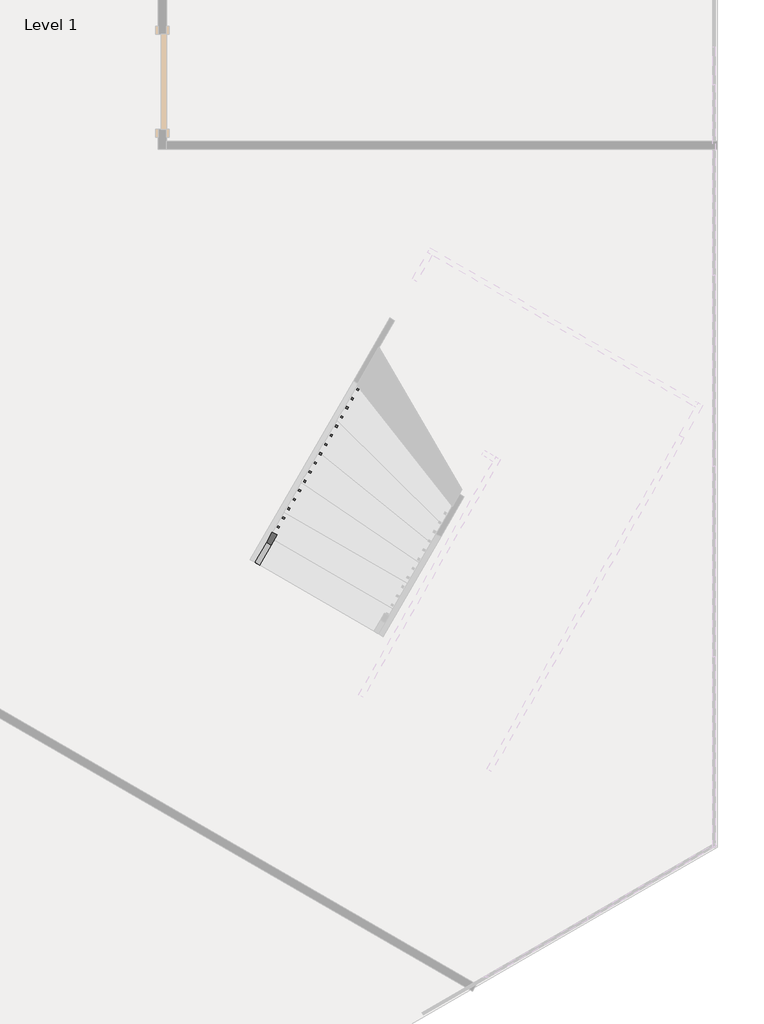
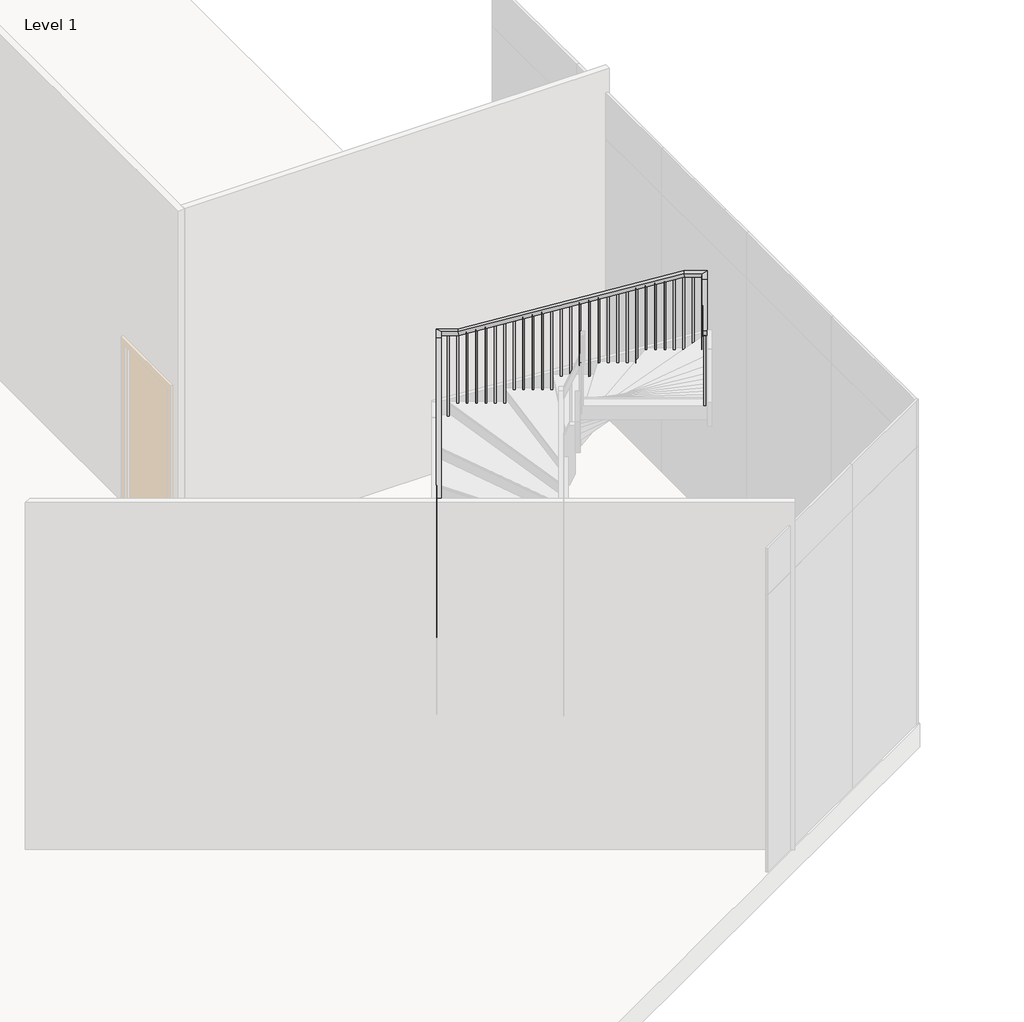
# One storey, part 4 of 6: 1 railing.
"""IFC4 building model written with IfcOpenShell, lengths in millimetres."""

import ifcopenshell
import ifcopenshell.guid

model = None  # the IFC model being written
_history = None  # IfcOwnerHistory: only IFC2X3 demands one
_inside = {}  # id of a spatial element -> (the spatial element, [elements in it])
_under = {}  # id of a project, library or spatial element -> (it, [spatial elements below it])
_declared = {}  # id of a project -> (the project, [libraries it declares])
_typed = {}  # id of a type object -> (the type object, [elements of that type])
_made_of = {}  # id of a material, layer set ... -> (it, [elements and type objects made of it])


def new_model(schema):
    """Start an empty IFC model of exactly this schema.

    Asked for "IFC4X3", IfcOpenShell would pick the latest addendum, in which some entities
    have other attributes; the version numbers below select the first issue.
    IFC2X3 requires an IfcOwnerHistory on every rooted entity: one is made here for all.
    """
    global model, _history
    if schema == "IFC4X3":
        model = ifcopenshell.file(schema_version=(4, 3, 0, 0))
    else:
        model = ifcopenshell.file(schema=schema)
    _inside.clear()
    _under.clear()
    _declared.clear()
    _typed.clear()
    _made_of.clear()
    _history = None
    if model.schema == "IFC2X3":
        org = make("IfcOrganization", Name="unknown")
        user = make(
            "IfcPersonAndOrganization",
            ThePerson=make("IfcPerson", FamilyName="unknown"),
            TheOrganization=org,
        )
        app = make(
            "IfcApplication",
            ApplicationDeveloper=org,
            Version="unknown",
            ApplicationFullName="unknown",
            ApplicationIdentifier="unknown",
        )
        _history = make(
            "IfcOwnerHistory",
            OwningUser=user,
            OwningApplication=app,
            ChangeAction="ADDED",
            CreationDate=0,
        )
    return model


def make(cls, **values):
    """One entity of the class cls with the attributes given. An attribute that is None is left unset."""
    return model.create_entity(
        cls, **{name: value for name, value in values.items() if value is not None}
    )


def rooted(cls, **values):
    """An entity with a GlobalId (a new one), such as an element, a storey or a relation."""
    return make(cls, GlobalId=ifcopenshell.guid.new(), OwnerHistory=_history, **values)


def si_unit(unit_type, name, prefix=None):
    """IfcSIUnit, for example si_unit("LENGTHUNIT", "METRE", prefix="MILLI")."""
    return make("IfcSIUnit", UnitType=unit_type, Prefix=prefix, Name=name)


def assignment(units):
    """IfcUnitAssignment: the units of a project."""
    return None if units is None else make("IfcUnitAssignment", Units=units)


def point(xyz):
    """IfcCartesianPoint."""
    return None if xyz is None else make("IfcCartesianPoint", Coordinates=xyz)


def direction(xyz):
    """IfcDirection."""
    return None if xyz is None else make("IfcDirection", DirectionRatios=xyz)


def frame(location, z_axis=None, x_axis=None):
    """IfcAxis2Placement3D, a coordinate frame: its origin and axes. An axis left out is left unset."""
    return make(
        "IfcAxis2Placement3D",
        Location=point(location),
        Axis=direction(z_axis),
        RefDirection=direction(x_axis),
    )


def origin():
    """The frame at (0, 0, 0) with its axes left unset."""
    return frame((0.0, 0.0, 0.0))


def place(relative_to, where):
    """IfcLocalPlacement: puts the frame where relative to a parent placement (None: the world)."""
    return make(
        "IfcLocalPlacement", PlacementRelTo=relative_to, RelativePlacement=where
    )


def context(
    kind, dimensions, precision=None, world=None, true_north=None, identifier=None
):
    """IfcGeometricRepresentationContext, for example the 3D "Model" context."""
    return make(
        "IfcGeometricRepresentationContext",
        ContextIdentifier=identifier,
        ContextType=kind,
        CoordinateSpaceDimension=dimensions,
        Precision=precision,
        WorldCoordinateSystem=world,
        TrueNorth=true_north,
    )


def project(units=None, contexts=None):
    """IfcProject with its units and contexts."""
    return rooted(
        "IfcProject",
        Name="project",
        RepresentationContexts=contexts,
        UnitsInContext=assignment(units),
    )


def spatial(cls, under=None, at=None, **own):
    """A site, building, storey or space (cls), placed at a placement, below another one or the project."""
    s = rooted(cls, ObjectPlacement=at, **own)
    if under is not None:
        _under.setdefault(under.id(), (under, []))[1].append(s)
    return s


def polyline(points):
    """IfcPolyline through the points."""
    return make("IfcPolyline", Points=[point(p) for p in points])


def outline(outer, holes=None, kind="AREA"):
    """IfcArbitraryClosedProfileDef: a profile drawn as a closed curve; with holes, ...WithVoids."""
    if holes is None:
        return make("IfcArbitraryClosedProfileDef", ProfileType=kind, OuterCurve=outer)
    return make(
        "IfcArbitraryProfileDefWithVoids",
        ProfileType=kind,
        OuterCurve=outer,
        InnerCurves=holes,
    )


def extrude(swept, where, along, depth):
    """IfcExtrudedAreaSolid: the profile swept, set in the frame where, extruded along a direction by depth."""
    return make(
        "IfcExtrudedAreaSolid",
        SweptArea=swept,
        Position=where,
        ExtrudedDirection=direction(along),
        Depth=depth,
    )


def faces_of(points, faces, orient=None, outer=None):
    """IfcFace entities. A face is a list of loops; a loop is a list of indices into points, from 0.

    orient and outer hold one flag for each loop. By default every Orientation is true, the
    first loop of a face is its IfcFaceOuterBound and the others are IfcFaceBound.
    """
    made = []
    for i, loops in enumerate(faces):
        bounds = []
        for j, loop in enumerate(loops):
            is_outer = j == 0 if outer is None else outer[i][j]
            bounds.append(
                make(
                    "IfcFaceOuterBound" if is_outer else "IfcFaceBound",
                    Bound=make("IfcPolyLoop", Polygon=[points[k] for k in loop]),
                    Orientation=True if orient is None else orient[i][j],
                )
            )
        made.append(make("IfcFace", Bounds=bounds))
    return made


def faceted_brep(points, faces, orient=None, outer=None, voids=None):
    """IfcFacetedBrep: a solid bounded by flat faces; with voids (closed shells), ...WithVoids."""
    shared = [point(p) for p in points]
    hull = make("IfcClosedShell", CfsFaces=faces_of(shared, faces, orient, outer))
    if voids is None:
        return make("IfcFacetedBrep", Outer=hull)
    return make(
        "IfcFacetedBrepWithVoids",
        Outer=hull,
        Voids=[
            make(cls, CfsFaces=faces_of(shared, fs, o, b)) for cls, fs, o, b in voids
        ],
    )


def shape(context_of_items, identifier, shape_type, items):
    """IfcShapeRepresentation: the items that make up one representation, for example the "Body"."""
    return make(
        "IfcShapeRepresentation",
        ContextOfItems=context_of_items,
        RepresentationIdentifier=identifier,
        RepresentationType=shape_type,
        Items=items,
    )


def made_of(thing, what):
    """Note that an element or type object is made of a material, layer set ...; save() writes the relation."""
    if what is not None:
        _made_of.setdefault(what.id(), (what, []))[1].append(thing)
    return thing


def element(
    cls,
    number,
    at=None,
    inside=None,
    cuts=None,
    type_object=None,
    material=None,
    context=None,
    identifier="Body",
    shape_type=None,
    held_by="IfcProductDefinitionShape",
    body=None,
    shapes=None,
    **own,
):
    """One element of the class cls, such as IfcWall. Its Tag is "e" and its number.

    at: its placement. inside: the storey or other place that contains it. cuts: it is an
    opening in that element (IfcRelVoidsElement). A single representation is given by context,
    identifier, shape_type and body (its items); several are given by shapes. held_by: the class
    of the entity that holds the representations. save() writes the other relations.
    """
    e = rooted(cls, Tag="e%d" % number, ObjectPlacement=at, **own)
    if body is not None:
        shapes = [shape(context, identifier, shape_type, body)]
    if shapes is not None:
        e.Representation = make(held_by, Representations=shapes)
    if inside is not None:
        _inside.setdefault(inside.id(), (inside, []))[1].append(e)
    if cuts is not None:
        rooted(
            "IfcRelVoidsElement", RelatingBuildingElement=cuts, RelatedOpeningElement=e
        )
    if type_object is not None:
        _typed.setdefault(type_object.id(), (type_object, []))[1].append(e)
    return made_of(e, material)


def aggregate(whole, parts):
    """IfcRelAggregates: a whole, such as a stair, and the parts it consists of."""
    return rooted("IfcRelAggregates", RelatingObject=whole, RelatedObjects=parts)


def save(model, path):
    """Write the relations noted so far, then the file.

    IfcRelAggregates (storeys below a building ...), IfcRelContainedInSpatialStructure (elements
    in a storey), IfcRelDefinesByType, IfcRelAssociatesMaterial and IfcRelDeclares: one each for
    every whole, place, type object, material and project.
    """
    for whole, parts in _under.values():
        aggregate(whole, parts)
    for where, things in _inside.values():
        rooted(
            "IfcRelContainedInSpatialStructure",
            RelatedElements=things,
            RelatingStructure=where,
        )
    for kind, things in _typed.values():
        rooted("IfcRelDefinesByType", RelatedObjects=things, RelatingType=kind)
    for what, things in _made_of.values():
        rooted("IfcRelAssociatesMaterial", RelatedObjects=things, RelatingMaterial=what)
    for by, libraries in _declared.values():
        rooted("IfcRelDeclares", RelatingContext=by, RelatedDefinitions=libraries)
    model.write(path)


model = new_model("IFC4")

# Units and contexts
model_context = context("Model", 3, world=origin())
ifc_project = project(units=[si_unit("LENGTHUNIT", "METRE", prefix="MILLI")], contexts=[model_context])

# Site, building, storey
site = spatial("IfcSite", under=ifc_project)
building = spatial("IfcBuilding", under=site)
storey = spatial("IfcBuildingStorey", under=building, Name="Level 1", Elevation=3048.0)

# Railing
placement = place(None, origin())
element("IfcRailing", 1, ObjectType="Handrail - Rectangular", at=placement, inside=storey, context=model_context, shape_type="SolidModel", body=[
    faceted_brep([(54295.3554538, -117408.8419097, 4138.2461538), (54295.3554538, -117408.8419097, 4081.4945841), (54339.3538093, -117434.2345211, 4081.4945841), (54339.3538093, -117434.2345211, 4138.2461538), (55919.4528111, -114594.7314645, 5756.4336285), (55925.426117, -114584.3813815, 5705.6336285), (55969.4244725, -114609.7739929, 5705.6336285), (55963.4511666, -114620.1240759, 5756.4336285), (55997.1584277, -114460.0891745, 5756.4336285), (55997.1584277, -114460.0891745, 5705.6336285), (56015.7641719, -114529.4801414, 5705.6336285), (56015.7641719, -114529.4801414, 5756.4336285), (56196.5956379, -114575.1896485, 5756.4336285), (56203.3854407, -114579.1082227, 5705.6336285), (56177.9928293, -114623.1065782, 5705.6336285), (56171.2030265, -114619.188004, 5756.4336285), (58305.5331789, -115792.3131245, 6526.2893522), (58312.3229817, -115796.2316988, 6475.4893522), (58286.9303703, -115840.2300543, 6475.4893522), (58280.1405675, -115836.31148, 6526.2893522), (58525.9750192, -115919.5359245, 6526.2893522), (58525.9750192, -115919.5359245, 6475.4893522), (58456.5840523, -115938.1416686, 6475.4893522), (58456.5840523, -115938.1416686, 6526.2893522), (58443.9888374, -116061.5952471, 6526.2893522), (58437.7539841, -116072.3985194, 6475.4893522), (58393.7556285, -116047.005908, 6475.4893522), (58399.9904819, -116036.2026358, 6526.2893522), (56523.2126938, -119389.7677759, 8534.4), (56479.2143382, -119364.3751645, 8534.4), (56479.2143382, -119364.3751645, 8477.0816582), (56523.2126938, -119389.7677759, 8477.0816582)], [[[0, 1, 2, 3]], [[1, 0, 4, 5]], [[2, 1, 5, 6]], [[3, 2, 6, 7]], [[0, 3, 7, 4]], [[5, 4, 8, 9]], [[6, 5, 9, 10]], [[7, 6, 10, 11]], [[4, 7, 11, 8]], [[9, 8, 12, 13]], [[10, 9, 13, 14]], [[11, 10, 14, 15]], [[8, 11, 15, 12]], [[13, 12, 16, 17]], [[14, 13, 17, 18]], [[15, 14, 18, 19]], [[12, 15, 19, 16]], [[17, 16, 20, 21]], [[18, 17, 21, 22]], [[19, 18, 22, 23]], [[16, 19, 23, 20]], [[21, 20, 24, 25]], [[22, 21, 25, 26]], [[23, 22, 26, 27]], [[20, 23, 27, 24]], [[28, 29, 30, 31]], [[25, 24, 28, 31]], [[26, 25, 31, 30]], [[27, 26, 30, 29]], [[24, 27, 29, 28]]]),
    extrude(outline(polyline([(223.6224054, 19.05), (1251.6561526, 19.05), (1251.6561526, 0.0), (233.5775947, 0.0), (223.6224054, 19.05)])), frame((56523.6666546, -119357.2219492, 8695.8099988), z_axis=(-0.8661093604012479, 0.4998545546709976, 0.0), x_axis=(0.0, 0.0, -1.0)), (0.0, 0.0, 1.0), 19.05),
    extrude(outline(polyline([(223.6224054, 19.05), (1198.56181, 19.05), (1198.56181, 0.0), (233.5775946, 0.0), (223.6224054, 19.05)])), frame((56574.4518773, -119269.2252382, 8642.7156562), z_axis=(-0.8661093604012479, 0.4998545546709976, 0.0), x_axis=(0.0, 0.0, -1.0)), (0.0, 0.0, 1.0), 19.05),
    extrude(outline(polyline([(223.6224054, 19.0500001), (1145.4674674, 19.0500001), (1145.4674674, 0.0), (233.5775946, 0.0), (223.6224054, 19.0500001)])), frame((56625.2371001, -119181.2285271, 8589.6213136), z_axis=(-0.8661093604012479, 0.4998545546709976, 0.0), x_axis=(0.0, 0.0, -1.0)), (0.0, 0.0, 1.0), 19.05),
    extrude(outline(polyline([(223.6224053, 19.05), (1268.2192787, 19.05), (1268.2192787, 0.0), (233.5775946, 0.0), (223.6224053, 19.05)])), frame((56676.0223229, -119093.2318161, 8536.526971), z_axis=(-0.8661093604012479, 0.4998545546709976, 0.0), x_axis=(0.0, 0.0, -1.0)), (0.0, 0.0, 1.0), 19.05),
    extrude(outline(polyline([(223.6224054, 19.05), (1215.1249362, 19.05), (1215.1249362, 0.0), (233.5775946, 0.0), (223.6224054, 19.05)])), frame((56726.8075456, -119005.2351051, 8483.4326285), z_axis=(-0.8661093604012479, 0.4998545546709976, 0.0), x_axis=(0.0, 0.0, -1.0)), (0.0, 0.0, 1.0), 19.05),
    extrude(outline(polyline([(223.6224054, 19.05), (1162.0305936, 19.05), (1162.0305936, 0.0), (233.5775946, 0.0), (223.6224054, 19.05)])), frame((56777.5927684, -118917.2383941, 8430.3382859), z_axis=(-0.8661093604012479, 0.4998545546709976, 0.0), x_axis=(0.0, 0.0, -1.0)), (0.0, 0.0, 1.0), 19.05),
    extrude(outline(polyline([(223.6224053, 19.05), (1284.7824048, 19.05), (1284.7824048, 0.0), (233.5775946, 0.0), (223.6224053, 19.05)])), frame((56828.3779911, -118829.2416831, 8377.2439433), z_axis=(-0.8661093604012479, 0.4998545546709976, 0.0), x_axis=(0.0, 0.0, -1.0)), (0.0, 0.0, 1.0), 19.05),
    extrude(outline(polyline([(223.6224054, 19.05), (1231.6880623, 19.05), (1231.6880623, 0.0), (233.5775946, 0.0), (223.6224054, 19.05)])), frame((56879.1632139, -118741.2449721, 8324.1496008), z_axis=(-0.8661093604012479, 0.4998545546709976, 0.0), x_axis=(0.0, 0.0, -1.0)), (0.0, 0.0, 1.0), 19.05),
    extrude(outline(polyline([(223.6224054, 19.05), (1178.5937197, 19.05), (1178.5937197, 0.0), (233.5775946, 0.0), (223.6224054, 19.05)])), frame((56929.9484366, -118653.248261, 8271.0552582), z_axis=(-0.8661093604012479, 0.4998545546709976, 0.0), x_axis=(0.0, 0.0, -1.0)), (0.0, 0.0, 1.0), 19.05),
    extrude(outline(polyline([(223.6224053, 19.05), (1301.345531, 19.05), (1301.345531, 0.0), (233.5775946, 0.0), (223.6224053, 19.05)])), frame((56980.7336594, -118565.25155, 8217.9609156), z_axis=(-0.8661093604012479, 0.4998545546709976, 0.0), x_axis=(0.0, 0.0, -1.0)), (0.0, 0.0, 1.0), 19.05),
    extrude(outline(polyline([(223.6224054, 19.05), (1248.2511885, 19.05), (1248.2511885, 0.0), (233.5775946, 0.0), (223.6224054, 19.05)])), frame((57031.5188821, -118477.254839, 8164.8665731), z_axis=(-0.8661093604012479, 0.4998545546709976, 0.0), x_axis=(0.0, 0.0, -1.0)), (0.0, 0.0, 1.0), 19.05),
    extrude(outline(polyline([(223.6224054, 19.05), (1195.1568459, 19.05), (1195.1568459, 0.0), (233.5775946, 0.0), (223.6224054, 19.05)])), frame((57082.3041049, -118389.258128, 8111.7722305), z_axis=(-0.8661093604012479, 0.4998545546709976, 0.0), x_axis=(0.0, 0.0, -1.0)), (0.0, 0.0, 1.0), 19.05),
    extrude(outline(polyline([(223.6224053, 19.05), (1317.9086571, 19.05), (1317.9086571, 0.0), (233.5775946, 0.0), (223.6224053, 19.05)])), frame((57133.0893276, -118301.261417, 8058.6778879), z_axis=(-0.8661093604012479, 0.4998545546709976, 0.0), x_axis=(0.0, 0.0, -1.0)), (0.0, 0.0, 1.0), 19.05),
    extrude(outline(polyline([(223.6224054, 19.05), (1264.8143146, 19.05), (1264.8143146, 0.0), (233.5775946, 0.0), (223.6224054, 19.05)])), frame((57183.8745504, -118213.264706, 8005.5835454), z_axis=(-0.8661093604012479, 0.4998545546709976, 0.0), x_axis=(0.0, 0.0, -1.0)), (0.0, 0.0, 1.0), 19.05),
    extrude(outline(polyline([(223.6224054, 19.0500001), (1211.719972, 19.0500001), (1211.719972, 0.0), (233.5775946, 0.0), (223.6224054, 19.0500001)])), frame((57234.6597732, -118125.2679949, 7952.4892028), z_axis=(-0.8661093604012479, 0.4998545546709976, 0.0), x_axis=(0.0, 0.0, -1.0)), (0.0, 0.0, 1.0), 19.05),
    extrude(outline(polyline([(223.6224053, 19.05), (1334.4717833, 19.05), (1334.4717833, 0.0), (233.5775946, 0.0), (223.6224053, 19.05)])), frame((57285.4449959, -118037.2712839, 7899.3948602), z_axis=(-0.8661093604012479, 0.4998545546709976, 0.0), x_axis=(0.0, 0.0, -1.0)), (0.0, 0.0, 1.0), 19.05),
    extrude(outline(polyline([(223.6224054, 19.05), (1281.3774408, 19.05), (1281.3774408, 0.0), (233.5775946, 0.0), (223.6224054, 19.05)])), frame((57336.2302187, -117949.2745729, 7846.3005177), z_axis=(-0.8661093604012479, 0.4998545546709976, 0.0), x_axis=(0.0, 0.0, -1.0)), (0.0, 0.0, 1.0), 19.05),
    extrude(outline(polyline([(223.6224054, 19.05), (1228.2830982, 19.05), (1228.2830982, 0.0), (233.5775946, 0.0), (223.6224054, 19.05)])), frame((57387.0154414, -117861.2778619, 7793.2061751), z_axis=(-0.8661093604012479, 0.4998545546709976, 0.0), x_axis=(0.0, 0.0, -1.0)), (0.0, 0.0, 1.0), 19.05),
    extrude(outline(polyline([(223.6224053, 19.05), (1351.0349094, 19.05), (1351.0349094, 0.0), (233.5775946, 0.0), (223.6224053, 19.05)])), frame((57437.8006642, -117773.2811509, 7740.1118325), z_axis=(-0.8661093604012479, 0.4998545546709976, 0.0), x_axis=(0.0, 0.0, -1.0)), (0.0, 0.0, 1.0), 19.05),
    extrude(outline(polyline([(223.6224054, 19.05), (1297.9405669, 19.05), (1297.9405669, 0.0), (233.5775946, 0.0), (223.6224054, 19.05)])), frame((57488.5858869, -117685.2844399, 7687.01749), z_axis=(-0.8661093604012479, 0.4998545546709976, 0.0), x_axis=(0.0, 0.0, -1.0)), (0.0, 0.0, 1.0), 19.05),
    extrude(outline(polyline([(223.6224054, 19.0500001), (1244.8462243, 19.0500001), (1244.8462243, 0.0), (233.5775946, 0.0), (223.6224054, 19.0500001)])), frame((57539.3711097, -117597.2877288, 7633.9231474), z_axis=(-0.8661093604012479, 0.4998545546709976, 0.0), x_axis=(0.0, 0.0, -1.0)), (0.0, 0.0, 1.0), 19.05),
    extrude(outline(polyline([(223.6224053, 19.05), (1191.7518817, 19.05), (1191.7518817, 0.0), (233.5775946, 0.0), (223.6224053, 19.05)])), frame((57590.1563324, -117509.2910178, 7580.8288048), z_axis=(-0.8661093604012479, 0.4998545546709976, 0.0), x_axis=(0.0, 0.0, -1.0)), (0.0, 0.0, 1.0), 19.05),
    extrude(outline(polyline([(223.6224054, 19.05), (1314.5036931, 19.05), (1314.5036931, 0.0), (233.5775946, 0.0), (223.6224054, 19.05)])), frame((57640.9415552, -117421.2943068, 7527.7344623), z_axis=(-0.8661093604012479, 0.4998545546709976, 0.0), x_axis=(0.0, 0.0, -1.0)), (0.0, 0.0, 1.0), 19.05),
    extrude(outline(polyline([(223.6224054, 19.05), (1261.4093505, 19.05), (1261.4093505, 0.0), (233.5775946, 0.0), (223.6224054, 19.05)])), frame((57691.7267779, -117333.2975958, 7474.6401197), z_axis=(-0.8661093604012479, 0.4998545546709976, 0.0), x_axis=(0.0, 0.0, -1.0)), (0.0, 0.0, 1.0), 19.05),
    extrude(outline(polyline([(223.6224053, 19.05), (1208.3150079, 19.05), (1208.3150079, 0.0), (233.5775946, 0.0), (223.6224053, 19.05)])), frame((57742.5120007, -117245.3008848, 7421.5457771), z_axis=(-0.8661093604012479, 0.4998545546709976, 0.0), x_axis=(0.0, 0.0, -1.0)), (0.0, 0.0, 1.0), 19.05),
    extrude(outline(polyline([(223.6224054, 19.05), (1331.0668192, 19.05), (1331.0668192, 0.0), (233.5775946, 0.0), (223.6224054, 19.05)])), frame((57793.2972235, -117157.3041738, 7368.4514346), z_axis=(-0.8661093604012479, 0.4998545546709976, 0.0), x_axis=(0.0, 0.0, -1.0)), (0.0, 0.0, 1.0), 19.05),
    extrude(outline(polyline([(223.6224054, 19.0500001), (1277.9724766, 19.0500001), (1277.9724766, 0.0), (233.5775946, 0.0), (223.6224054, 19.0500001)])), frame((57844.0824462, -117069.3074627, 7315.357092), z_axis=(-0.8661093604012479, 0.4998545546709976, 0.0), x_axis=(0.0, 0.0, -1.0)), (0.0, 0.0, 1.0), 19.05),
    extrude(outline(polyline([(223.6224053, 19.05), (1224.878134, 19.05), (1224.878134, 0.0), (233.5775946, 0.0), (223.6224053, 19.05)])), frame((57894.867669, -116981.3107517, 7262.2627494), z_axis=(-0.8661093604012479, 0.4998545546709976, 0.0), x_axis=(0.0, 0.0, -1.0)), (0.0, 0.0, 1.0), 19.05),
    extrude(outline(polyline([(223.6224054, 19.05), (1171.7837915, 19.05), (1171.7837915, 0.0), (233.5775946, 0.0), (223.6224054, 19.05)])), frame((57945.6528917, -116893.3140407, 7209.1684069), z_axis=(-0.8661093604012479, 0.4998545546709976, 0.0), x_axis=(0.0, 0.0, -1.0)), (0.0, 0.0, 1.0), 19.05),
    extrude(outline(polyline([(223.6224054, 19.05), (1294.5356028, 19.05), (1294.5356028, 0.0), (233.5775946, 0.0), (223.6224054, 19.05)])), frame((57996.4381145, -116805.3173297, 7156.0740643), z_axis=(-0.8661093604012479, 0.4998545546709976, 0.0), x_axis=(0.0, 0.0, -1.0)), (0.0, 0.0, 1.0), 19.05),
    extrude(outline(polyline([(223.6224053, 19.05), (1241.4412602, 19.05), (1241.4412602, 0.0), (233.5775946, 0.0), (223.6224053, 19.05)])), frame((58047.2233372, -116717.3206187, 7102.9797217), z_axis=(-0.8661093604012479, 0.4998545546709976, 0.0), x_axis=(0.0, 0.0, -1.0)), (0.0, 0.0, 1.0), 19.05),
    extrude(outline(polyline([(223.6224054, 19.05), (1188.3469177, 19.05), (1188.3469177, 0.0), (233.5775946, 0.0), (223.6224054, 19.05)])), frame((58098.00856, -116629.3239077, 7049.8853792), z_axis=(-0.8661093604012479, 0.4998545546709976, 0.0), x_axis=(0.0, 0.0, -1.0)), (0.0, 0.0, 1.0), 19.05),
    extrude(outline(polyline([(223.6224054, 19.05), (1135.2525751, 19.05), (1135.2525751, 0.0), (233.5775946, 0.0), (223.6224054, 19.05)])), frame((58148.7937827, -116541.3271966, 6996.7910366), z_axis=(-0.8661093604012479, 0.4998545546709976, 0.0), x_axis=(0.0, 0.0, -1.0)), (0.0, 0.0, 1.0), 19.05),
    extrude(outline(polyline([(223.6224053, 19.05), (1258.0043863, 19.05), (1258.0043863, 0.0), (233.5775946, 0.0), (223.6224053, 19.05)])), frame((58199.5790055, -116453.3304856, 6943.696694), z_axis=(-0.8661093604012479, 0.4998545546709976, 0.0), x_axis=(0.0, 0.0, -1.0)), (0.0, 0.0, 1.0), 19.05),
    extrude(outline(polyline([(223.6224054, 19.05), (1204.9100438, 19.05), (1204.9100438, 0.0), (233.5775946, 0.0), (223.6224054, 19.05)])), frame((58250.3642282, -116365.3337746, 6890.6023515), z_axis=(-0.8661093604012479, 0.4998545546709976, 0.0), x_axis=(0.0, 0.0, -1.0)), (0.0, 0.0, 1.0), 19.05),
    extrude(outline(polyline([(223.6224054, 19.05), (1151.8157012, 19.05), (1151.8157012, 0.0), (233.5775946, 0.0), (223.6224054, 19.05)])), frame((58301.149451, -116277.3370636, 6837.5080089), z_axis=(-0.8661093604012479, 0.4998545546709976, 0.0), x_axis=(0.0, 0.0, -1.0)), (0.0, 0.0, 1.0), 19.05),
    extrude(outline(polyline([(223.6224053, 19.05), (1098.7213586, 19.05), (1098.7213586, 0.0), (233.5775946, 0.0), (223.6224053, 19.05)])), frame((58351.9346738, -116189.3403526, 6784.4136663), z_axis=(-0.8661093604012479, 0.4998545546709976, 0.0), x_axis=(0.0, 0.0, -1.0)), (0.0, 0.0, 1.0), 19.05),
    extrude(outline(polyline([(223.6224054, 19.05), (1045.6270161, 19.05), (1045.6270161, 0.0), (233.5775946, 0.0), (223.6224054, 19.05)])), frame((58402.7198965, -116101.3436416, 6731.3193238), z_axis=(-0.8661093604012479, 0.4998545546709976, 0.0), x_axis=(0.0, 0.0, -1.0)), (0.0, 0.0, 1.0), 19.05),
    extrude(outline(polyline([(58453.5051193, -116013.3469305), (58443.98289, -116029.8463139), (58427.4835067, -116020.3240846), (58437.0057359, -116003.8247013), (58453.5051193, -116013.3469305)])), frame((0.0, 0.0, 5685.6923077), z_axis=(0.0, 0.0, 1.0), x_axis=(1.0, 0.0, 0.0)), (0.0, 0.0, 1.0), 789.7970445),
    extrude(outline(polyline([(58466.8806313, -115903.7600888), (58483.3800146, -115913.2823181), (58473.8577853, -115929.7817014), (58457.358402, -115920.2594721), (58466.8806313, -115903.7600888)])), frame((0.0, 0.0, 5509.8461538), z_axis=(0.0, 0.0, 1.0), x_axis=(1.0, 0.0, 0.0)), (0.0, 0.0, 1.0), 965.6431983),
    extrude(outline(polyline([(58378.8839202, -115852.974866), (58395.3833036, -115862.4970953), (58385.8610743, -115878.9964786), (58369.361691, -115869.4742494), (58378.8839202, -115852.974866)])), frame((0.0, 0.0, 5509.8461538), z_axis=(0.0, 0.0, 1.0), x_axis=(1.0, 0.0, 0.0)), (0.0, 0.0, 1.0), 965.6431983),
    extrude(outline(polyline([(58290.8872092, -115802.1896433), (58307.3865925, -115811.7118726), (58297.8643633, -115828.2112559), (58281.36498, -115818.6890266), (58290.8872092, -115802.1896433)])), frame((0.0, 0.0, 5509.8461538), z_axis=(0.0, 0.0, 1.0), x_axis=(1.0, 0.0, 0.0)), (0.0, 0.0, 1.0), 965.6431983),
    extrude(outline(polyline([(231.6115033, 19.05), (1160.203689, 19.05), (1160.203689, 0.0), (225.5884967, 0.0), (231.6115033, 19.05)])), frame((58209.8676523, -115777.4260331, 6670.0498428), z_axis=(0.49985455467099926, 0.866109360401247, 0.0), x_axis=(0.0, 0.0, -1.0)), (0.0, 0.0, 1.0), 19.05),
    extrude(outline(polyline([(231.6115033, 19.05), (1128.0809873, 19.05), (1128.0809873, 0.0), (225.5884967, 0.0), (231.6115033, 19.05)])), frame((58121.8709412, -115726.6408104, 6637.9271411), z_axis=(0.49985455467099926, 0.866109360401247, 0.0), x_axis=(0.0, 0.0, -1.0)), (0.0, 0.0, 1.0), 19.05),
    extrude(outline(polyline([(231.6115033, 19.05), (1095.9582855, 19.05), (1095.9582855, 0.0), (225.5884967, 0.0), (231.6115033, 19.05)])), frame((58033.8742302, -115675.8555876, 6605.8044393), z_axis=(0.49985455467099926, 0.866109360401247, 0.0), x_axis=(0.0, 0.0, -1.0)), (0.0, 0.0, 1.0), 19.05),
    extrude(outline(polyline([(231.6115033, 19.05), (1063.8355838, 19.05), (1063.8355838, 0.0), (225.5884967, 0.0), (231.6115033, 19.05)])), frame((57945.8775192, -115625.0703649, 6573.6817376), z_axis=(0.49985455467099926, 0.866109360401247, 0.0), x_axis=(0.0, 0.0, -1.0)), (0.0, 0.0, 1.0), 19.05),
    extrude(outline(polyline([(231.6115033, 19.05), (1207.5590358, 19.05), (1207.5590358, 0.0), (225.5884967, 0.0), (231.6115033, 19.05)])), frame((57857.8808082, -115574.2851421, 6541.5590358), z_axis=(0.49985455467099926, 0.866109360401247, 0.0), x_axis=(0.0, 0.0, -1.0)), (0.0, 0.0, 1.0), 19.05),
    extrude(outline(polyline([(231.6115033, 19.05), (1175.4363341, 19.05), (1175.4363341, 0.0), (225.5884967, 0.0), (231.6115033, 19.05)])), frame((57769.8840972, -115523.4999193, 6509.4363341), z_axis=(0.49985455467099926, 0.866109360401247, 0.0), x_axis=(0.0, 0.0, -1.0)), (0.0, 0.0, 1.0), 19.05),
    extrude(outline(polyline([(231.6115033, 19.0500001), (1143.3136323, 19.0500001), (1143.3136323, 0.0), (225.5884967, 0.0), (231.6115033, 19.0500001)])), frame((57681.8873862, -115472.7146966, 6477.3136323), z_axis=(0.49985455467099926, 0.866109360401247, 0.0), x_axis=(0.0, 0.0, -1.0)), (0.0, 0.0, 1.0), 19.05),
    extrude(outline(polyline([(231.6115033, 19.05), (1111.1909306, 19.05), (1111.1909306, 0.0), (225.5884967, 0.0), (231.6115033, 19.05)])), frame((57593.8906751, -115421.9294738, 6445.1909306), z_axis=(0.49985455467099926, 0.866109360401247, 0.0), x_axis=(0.0, 0.0, -1.0)), (0.0, 0.0, 1.0), 19.05),
    extrude(outline(polyline([(231.6115033, 19.05), (1079.0682288, 19.05), (1079.0682288, 0.0), (225.5884967, 0.0), (231.6115033, 19.05)])), frame((57505.8939641, -115371.1442511, 6413.0682288), z_axis=(0.49985455467099926, 0.866109360401247, 0.0), x_axis=(0.0, 0.0, -1.0)), (0.0, 0.0, 1.0), 19.05),
    extrude(outline(polyline([(231.6115033, 19.05), (1222.7916809, 19.05), (1222.7916809, 0.0), (225.5884967, 0.0), (231.6115033, 19.05)])), frame((57417.8972531, -115320.3590283, 6380.9455271), z_axis=(0.49985455467099926, 0.866109360401247, 0.0), x_axis=(0.0, 0.0, -1.0)), (0.0, 0.0, 1.0), 19.05),
    extrude(outline(polyline([(231.6115033, 19.05), (1190.6689791, 19.05), (1190.6689791, 0.0), (225.5884967, 0.0), (231.6115033, 19.05)])), frame((57329.9005421, -115269.5738056, 6348.8228253), z_axis=(0.49985455467099926, 0.866109360401247, 0.0), x_axis=(0.0, 0.0, -1.0)), (0.0, 0.0, 1.0), 19.05),
    extrude(outline(polyline([(231.6115033, 19.05), (1158.5462774, 19.05), (1158.5462774, 0.0), (225.5884968, 0.0), (231.6115033, 19.05)])), frame((57241.9038311, -115218.7885828, 6316.7001236), z_axis=(0.49985455467099926, 0.866109360401247, 0.0), x_axis=(0.0, 0.0, -1.0)), (0.0, 0.0, 1.0), 19.05),
    extrude(outline(polyline([(231.6115033, 19.0500001), (1126.4235756, 19.0500001), (1126.4235756, 0.0), (225.5884967, 0.0), (231.6115033, 19.0500001)])), frame((57153.9071201, -115168.0033601, 6284.5774218), z_axis=(0.49985455467099926, 0.866109360401247, 0.0), x_axis=(0.0, 0.0, -1.0)), (0.0, 0.0, 1.0), 19.05),
    extrude(outline(polyline([(231.6115033, 19.05), (1270.1470278, 19.05), (1270.1470278, 0.0), (225.5884968, 0.0), (231.6115033, 19.05)])), frame((57065.910409, -115117.2181373, 6252.4547201), z_axis=(0.49985455467099926, 0.866109360401247, 0.0), x_axis=(0.0, 0.0, -1.0)), (0.0, 0.0, 1.0), 19.05),
    extrude(outline(polyline([(231.6115033, 19.05), (1238.024326, 19.05), (1238.024326, 0.0), (225.5884967, 0.0), (231.6115033, 19.05)])), frame((56977.913698, -115066.4329146, 6220.3320183), z_axis=(0.49985455467099926, 0.866109360401247, 0.0), x_axis=(0.0, 0.0, -1.0)), (0.0, 0.0, 1.0), 19.05),
    extrude(outline(polyline([(231.6115033, 19.05), (1205.9016243, 19.05), (1205.9016243, 0.0), (225.5884968, 0.0), (231.6115033, 19.05)])), frame((56889.916987, -115015.6476918, 6188.2093166), z_axis=(0.49985455467099926, 0.866109360401247, 0.0), x_axis=(0.0, 0.0, -1.0)), (0.0, 0.0, 1.0), 19.05),
    extrude(outline(polyline([(231.6115033, 19.05), (1173.7789225, 19.05), (1173.7789225, 0.0), (225.5884967, 0.0), (231.6115033, 19.05)])), frame((56801.920276, -114964.862469, 6156.0866148), z_axis=(0.49985455467099926, 0.866109360401247, 0.0), x_axis=(0.0, 0.0, -1.0)), (0.0, 0.0, 1.0), 19.05),
    extrude(outline(polyline([(231.6115033, 19.05), (1141.6562208, 19.05), (1141.6562208, 0.0), (225.5884968, 0.0), (231.6115033, 19.05)])), frame((56713.923565, -114914.0772463, 6123.9639131), z_axis=(0.49985455467099926, 0.866109360401247, 0.0), x_axis=(0.0, 0.0, -1.0)), (0.0, 0.0, 1.0), 19.05),
    extrude(outline(polyline([(231.6115033, 19.05), (1285.3796728, 19.05), (1285.3796728, 0.0), (225.5884967, 0.0), (231.6115033, 19.05)])), frame((56625.926854, -114863.2920235, 6091.8412113), z_axis=(0.49985455467099926, 0.866109360401247, 0.0), x_axis=(0.0, 0.0, -1.0)), (0.0, 0.0, 1.0), 19.05),
    extrude(outline(polyline([(231.6115033, 19.05), (1253.2569711, 19.05), (1253.2569711, 0.0), (225.5884968, 0.0), (231.6115033, 19.05)])), frame((56537.9301429, -114812.5068008, 6059.7185096), z_axis=(0.49985455467099926, 0.866109360401247, 0.0), x_axis=(0.0, 0.0, -1.0)), (0.0, 0.0, 1.0), 19.05),
    extrude(outline(polyline([(231.6115033, 19.05), (1221.1342693, 19.05), (1221.1342693, 0.0), (225.5884967, 0.0), (231.6115033, 19.05)])), frame((56449.9334319, -114761.721578, 6027.5958078), z_axis=(0.49985455467099926, 0.866109360401247, 0.0), x_axis=(0.0, 0.0, -1.0)), (0.0, 0.0, 1.0), 19.05),
    extrude(outline(polyline([(231.6115033, 19.05), (1189.0115676, 19.05), (1189.0115676, 0.0), (225.5884968, 0.0), (231.6115033, 19.05)])), frame((56361.9367209, -114710.9363553, 5995.4731061), z_axis=(0.49985455467099926, 0.866109360401247, 0.0), x_axis=(0.0, 0.0, -1.0)), (0.0, 0.0, 1.0), 19.05),
    extrude(outline(polyline([(231.6115033, 19.05), (1156.8888658, 19.05), (1156.8888658, 0.0), (225.5884967, 0.0), (231.6115033, 19.05)])), frame((56273.9400099, -114660.1511325, 5963.3504043), z_axis=(0.49985455467099926, 0.866109360401247, 0.0), x_axis=(0.0, 0.0, -1.0)), (0.0, 0.0, 1.0), 19.05),
    extrude(outline(polyline([(56178.9661448, -114583.3442972), (56195.4655281, -114592.8665264), (56185.9432989, -114609.3659098), (56169.4439156, -114599.8436805), (56178.9661448, -114583.3442972)])), frame((0.0, 0.0, 4806.4615385), z_axis=(0.0, 0.0, 1.0), x_axis=(1.0, 0.0, 0.0)), (0.0, 0.0, 1.0), 899.17209),
    extrude(outline(polyline([(56090.9694338, -114532.5590744), (56107.4688171, -114542.0813037), (56097.9465879, -114558.580687), (56081.4472045, -114549.0584577), (56090.9694338, -114532.5590744)])), frame((0.0, 0.0, 4630.6153846), z_axis=(0.0, 0.0, 1.0), x_axis=(1.0, 0.0, 0.0)), (0.0, 0.0, 1.0), 1075.0182439),
    extrude(outline(polyline([(55980.2561762, -114521.1353288), (55989.7784055, -114504.6359455), (56006.2777888, -114514.1581748), (55996.7555595, -114530.6575581), (55980.2561762, -114521.1353288)])), frame((0.0, 0.0, 4630.6153846), z_axis=(0.0, 0.0, 1.0), x_axis=(1.0, 0.0, 0.0)), (0.0, 0.0, 1.0), 1075.0182439),
    extrude(outline(polyline([(55929.4709534, -114609.1320398), (55938.9931827, -114592.6326565), (55955.492566, -114602.1548858), (55945.9703368, -114618.6542691), (55929.4709534, -114609.1320398)])), frame((0.0, 0.0, 4630.6153846), z_axis=(0.0, 0.0, 1.0), x_axis=(1.0, 0.0, 0.0)), (0.0, 0.0, 1.0), 1075.0182439),
    extrude(outline(polyline([(233.3437895, 19.05), (1248.0922759, 19.05), (1248.0922759, 0.0), (223.8562104, 0.0), (233.3437895, 19.05)])), frame((55904.7073433, -114690.1515968, 5878.7076605), z_axis=(-0.8661093604012486, 0.4998545546709967, 0.0), x_axis=(0.0, 0.0, -1.0)), (0.0, 0.0, 1.0), 19.05),
    extrude(outline(polyline([(233.3437895, 19.05), (1197.4918541, 19.05), (1197.4918541, 0.0), (223.8562104, 0.0), (233.3437895, 19.05)])), frame((55853.9221205, -114778.1483078, 5828.1072387), z_axis=(-0.8661093604012486, 0.4998545546709967, 0.0), x_axis=(0.0, 0.0, -1.0)), (0.0, 0.0, 1.0), 19.05),
    extrude(outline(polyline([(233.3437895, 19.05), (1146.8914323, 19.05), (1146.8914323, 0.0), (223.8562104, 0.0), (233.3437895, 19.05)])), frame((55803.1368978, -114866.1450189, 5777.5068169), z_axis=(-0.8661093604012486, 0.4998545546709967, 0.0), x_axis=(0.0, 0.0, -1.0)), (0.0, 0.0, 1.0), 19.05),
    extrude(outline(polyline([(233.3437896, 19.05), (1096.2910105, 19.05), (1096.2910105, 0.0), (223.8562105, 0.0), (233.3437896, 19.05)])), frame((55752.351675, -114954.1417299, 5726.9063951), z_axis=(-0.8661093604012486, 0.4998545546709967, 0.0), x_axis=(0.0, 0.0, -1.0)), (0.0, 0.0, 1.0), 19.05),
    extrude(outline(polyline([(233.3437896, 19.05), (1221.5367425, 19.05), (1221.5367425, 0.0), (223.8562105, 0.0), (233.3437896, 19.05)])), frame((55701.5664523, -115042.1384409, 5676.3059733), z_axis=(-0.8661093604012486, 0.4998545546709967, 0.0), x_axis=(0.0, 0.0, -1.0)), (0.0, 0.0, 1.0), 19.05),
    extrude(outline(polyline([(233.3437895, 19.05), (1170.9363206, 19.05), (1170.9363206, 0.0), (223.8562104, 0.0), (233.3437895, 19.05)])), frame((55650.7812295, -115130.1351519, 5625.7055514), z_axis=(-0.8661093604012486, 0.4998545546709967, 0.0), x_axis=(0.0, 0.0, -1.0)), (0.0, 0.0, 1.0), 19.05),
    extrude(outline(polyline([(233.3437895, 19.05), (1120.3358988, 19.05), (1120.3358988, 0.0), (223.8562104, 0.0), (233.3437895, 19.05)])), frame((55599.9960067, -115218.1318629, 5575.1051296), z_axis=(-0.8661093604012486, 0.4998545546709967, 0.0), x_axis=(0.0, 0.0, -1.0)), (0.0, 0.0, 1.0), 19.05),
    extrude(outline(polyline([(233.3437896, 19.0500001), (1069.735477, 19.0500001), (1069.735477, 0.0), (223.8562105, 0.0), (233.3437896, 19.0500001)])), frame((55549.210784, -115306.1285739, 5524.5047078), z_axis=(-0.8661093604012486, 0.4998545546709967, 0.0), x_axis=(0.0, 0.0, -1.0)), (0.0, 0.0, 1.0), 19.05),
    extrude(outline(polyline([(233.3437896, 19.05), (1019.1350552, 19.05), (1019.1350552, 0.0), (223.8562105, 0.0), (233.3437896, 19.05)])), frame((55498.4255612, -115394.125285, 5473.904286), z_axis=(-0.8661093604012486, 0.4998545546709967, 0.0), x_axis=(0.0, 0.0, -1.0)), (0.0, 0.0, 1.0), 19.05),
    extrude(outline(polyline([(233.3437896, 19.05), (1144.3807873, 19.05), (1144.3807873, 0.0), (223.8562105, 0.0), (233.3437896, 19.05)])), frame((55447.6403385, -115482.121996, 5423.3038642), z_axis=(-0.8661093604012486, 0.4998545546709967, 0.0), x_axis=(0.0, 0.0, -1.0)), (0.0, 0.0, 1.0), 19.05),
    extrude(outline(polyline([(233.3437895, 19.05), (1093.7803654, 19.05), (1093.7803654, 0.0), (223.8562104, 0.0), (233.3437895, 19.05)])), frame((55396.8551157, -115570.118707, 5372.7034423), z_axis=(-0.8661093604012486, 0.4998545546709967, 0.0), x_axis=(0.0, 0.0, -1.0)), (0.0, 0.0, 1.0), 19.05),
    extrude(outline(polyline([(233.3437895, 19.05), (1043.1799436, 19.05), (1043.1799436, 0.0), (223.8562104, 0.0), (233.3437895, 19.05)])), frame((55346.069893, -115658.115418, 5322.1030205), z_axis=(-0.8661093604012486, 0.4998545546709967, 0.0), x_axis=(0.0, 0.0, -1.0)), (0.0, 0.0, 1.0), 19.05),
    extrude(outline(polyline([(233.3437896, 19.05), (1168.4256756, 19.05), (1168.4256756, 0.0), (223.8562105, 0.0), (233.3437896, 19.05)])), frame((55295.2846702, -115746.112129, 5271.5025987), z_axis=(-0.8661093604012486, 0.4998545546709967, 0.0), x_axis=(0.0, 0.0, -1.0)), (0.0, 0.0, 1.0), 19.05),
    extrude(outline(polyline([(233.3437896, 19.0500001), (1117.8252538, 19.0500001), (1117.8252538, 0.0), (223.8562105, 0.0), (233.3437896, 19.0500001)])), frame((55244.4994475, -115834.10884, 5220.9021769), z_axis=(-0.8661093604012486, 0.4998545546709967, 0.0), x_axis=(0.0, 0.0, -1.0)), (0.0, 0.0, 1.0), 19.05),
    extrude(outline(polyline([(233.3437895, 19.05), (1067.2248319, 19.05), (1067.2248319, 0.0), (223.8562104, 0.0), (233.3437895, 19.05)])), frame((55193.7142247, -115922.1055511, 5170.301755), z_axis=(-0.8661093604012486, 0.4998545546709967, 0.0), x_axis=(0.0, 0.0, -1.0)), (0.0, 0.0, 1.0), 19.05),
    extrude(outline(polyline([(233.3437895, 19.05), (1016.6244101, 19.05), (1016.6244101, 0.0), (223.8562104, 0.0), (233.3437895, 19.05)])), frame((55142.929002, -116010.1022621, 5119.7013332), z_axis=(-0.8661093604012486, 0.4998545546709967, 0.0), x_axis=(0.0, 0.0, -1.0)), (0.0, 0.0, 1.0), 19.05),
    extrude(outline(polyline([(233.3437895, 19.05), (1141.8701422, 19.05), (1141.8701422, 0.0), (223.8562105, 0.0), (233.3437895, 19.05)])), frame((55092.1437792, -116098.0989731, 5069.1009114), z_axis=(-0.8661093604012486, 0.4998545546709967, 0.0), x_axis=(0.0, 0.0, -1.0)), (0.0, 0.0, 1.0), 19.05),
    extrude(outline(polyline([(233.3437896, 19.05), (1091.2697204, 19.05), (1091.2697204, 0.0), (223.8562105, 0.0), (233.3437896, 19.05)])), frame((55041.3585564, -116186.0956841, 5018.5004896), z_axis=(-0.8661093604012486, 0.4998545546709967, 0.0), x_axis=(0.0, 0.0, -1.0)), (0.0, 0.0, 1.0), 19.05),
    extrude(outline(polyline([(233.3437896, 19.05), (1040.6692986, 19.05), (1040.6692986, 0.0), (223.8562105, 0.0), (233.3437896, 19.05)])), frame((54990.5733337, -116274.0923951, 4967.9000678), z_axis=(-0.8661093604012486, 0.4998545546709967, 0.0), x_axis=(0.0, 0.0, -1.0)), (0.0, 0.0, 1.0), 19.05),
    extrude(outline(polyline([(233.3437895, 19.05), (1165.9150305, 19.05), (1165.9150305, 0.0), (223.8562104, 0.0), (233.3437895, 19.05)])), frame((54939.7881109, -116362.0891061, 4917.2996459), z_axis=(-0.8661093604012486, 0.4998545546709967, 0.0), x_axis=(0.0, 0.0, -1.0)), (0.0, 0.0, 1.0), 19.05),
    extrude(outline(polyline([(233.3437895, 19.05), (1115.3146087, 19.05), (1115.3146087, 0.0), (223.8562104, 0.0), (233.3437895, 19.05)])), frame((54889.0028882, -116450.0858172, 4866.6992241), z_axis=(-0.8661093604012486, 0.4998545546709967, 0.0), x_axis=(0.0, 0.0, -1.0)), (0.0, 0.0, 1.0), 19.05),
    extrude(outline(polyline([(233.3437896, 19.05), (1064.7141869, 19.05), (1064.7141869, 0.0), (223.8562105, 0.0), (233.3437896, 19.05)])), frame((54838.2176654, -116538.0825282, 4816.0988023), z_axis=(-0.8661093604012486, 0.4998545546709967, 0.0), x_axis=(0.0, 0.0, -1.0)), (0.0, 0.0, 1.0), 19.05),
    extrude(outline(polyline([(233.3437896, 19.05), (1014.1137651, 19.05), (1014.1137651, 0.0), (223.8562105, 0.0), (233.3437896, 19.05)])), frame((54787.4324427, -116626.0792392, 4765.4983805), z_axis=(-0.8661093604012486, 0.4998545546709967, 0.0), x_axis=(0.0, 0.0, -1.0)), (0.0, 0.0, 1.0), 19.05),
    extrude(outline(polyline([(233.3437895, 19.05), (1139.3594971, 19.05), (1139.3594971, 0.0), (223.8562104, 0.0), (233.3437895, 19.05)])), frame((54736.6472199, -116714.0759502, 4714.8979586), z_axis=(-0.8661093604012486, 0.4998545546709967, 0.0), x_axis=(0.0, 0.0, -1.0)), (0.0, 0.0, 1.0), 19.05),
    extrude(outline(polyline([(233.3437895, 19.05), (1088.7590753, 19.05), (1088.7590753, 0.0), (223.8562104, 0.0), (233.3437895, 19.05)])), frame((54685.8619972, -116802.0726612, 4664.2975368), z_axis=(-0.8661093604012486, 0.4998545546709967, 0.0), x_axis=(0.0, 0.0, -1.0)), (0.0, 0.0, 1.0), 19.05),
    extrude(outline(polyline([(233.3437895, 19.0500001), (1038.1586535, 19.0500001), (1038.1586535, 0.0), (223.8562105, 0.0), (233.3437895, 19.0500001)])), frame((54635.0767744, -116890.0693722, 4613.697115), z_axis=(-0.8661093604012486, 0.4998545546709967, 0.0), x_axis=(0.0, 0.0, -1.0)), (0.0, 0.0, 1.0), 19.05),
    extrude(outline(polyline([(233.3437896, 19.05), (1163.4043855, 19.05), (1163.4043855, 0.0), (223.8562105, 0.0), (233.3437896, 19.05)])), frame((54584.2915517, -116978.0660833, 4563.0966932), z_axis=(-0.8661093604012486, 0.4998545546709967, 0.0), x_axis=(0.0, 0.0, -1.0)), (0.0, 0.0, 1.0), 19.05),
    extrude(outline(polyline([(233.3437896, 19.05), (1112.8039637, 19.05), (1112.8039637, 0.0), (223.8562105, 0.0), (233.3437896, 19.05)])), frame((54533.5063289, -117066.0627943, 4512.4962714), z_axis=(-0.8661093604012486, 0.4998545546709967, 0.0), x_axis=(0.0, 0.0, -1.0)), (0.0, 0.0, 1.0), 19.05),
    extrude(outline(polyline([(233.3437895, 19.05), (1062.2035418, 19.05), (1062.2035418, 0.0), (223.8562104, 0.0), (233.3437895, 19.05)])), frame((54482.7211061, -117154.0595053, 4461.8958495), z_axis=(-0.8661093604012486, 0.4998545546709967, 0.0), x_axis=(0.0, 0.0, -1.0)), (0.0, 0.0, 1.0), 19.05),
    extrude(outline(polyline([(233.3437895, 19.05), (1187.4492739, 19.05), (1187.4492739, 0.0), (223.8562104, 0.0), (233.3437895, 19.05)])), frame((54431.9358834, -117242.0562163, 4411.2954277), z_axis=(-0.8661093604012486, 0.4998545546709967, 0.0), x_axis=(0.0, 0.0, -1.0)), (0.0, 0.0, 1.0), 19.05),
    extrude(outline(polyline([(233.3437896, 19.05), (1136.8488521, 19.05), (1136.8488521, 0.0), (223.8562105, 0.0), (233.3437896, 19.05)])), frame((54381.1506606, -117330.0529273, 4360.6950059), z_axis=(-0.8661093604012486, 0.4998545546709967, 0.0), x_axis=(0.0, 0.0, -1.0)), (0.0, 0.0, 1.0), 19.05),
    extrude(outline(polyline([(58487.7909587, -115915.8279903), (58504.290342, -115925.3502195), (58494.7681127, -115941.8496028), (58478.2687294, -115932.3273736), (58487.7909587, -115915.8279903)])), frame((0.0, 0.0, 5684.329724), z_axis=(0.0, 0.0, 1.0), x_axis=(1.0, 0.0, 0.0)), (0.0, 0.0, 1.0), 791.1596282),
    extrude(outline(polyline([(55993.4504935, -114498.273235), (56002.9727228, -114481.7738517), (56019.4721061, -114491.2960809), (56009.9498768, -114507.7954643), (55993.4504935, -114498.273235)])), frame((0.0, 0.0, 4630.6153846), z_axis=(0.0, 0.0, 1.0), x_axis=(1.0, 0.0, 0.0)), (0.0, 0.0, 1.0), 1075.0182439),
    extrude(outline(polyline([(223.6224054, 19.05), (1256.5502174, 19.05), (1256.5502174, 0.0), (233.5775946, 0.0), (223.6224054, 19.05)])), frame((56518.9854369, -119365.3332015, 8700.7040636), z_axis=(-0.8661093604012479, 0.4998545546709976, 0.0), x_axis=(0.0, 0.0, -1.0)), (0.0, 0.0, 1.0), 19.05),
    extrude(outline(polyline([(233.3437895, 19.05), (1090.9922198, 19.05), (1090.9922198, 0.0), (223.8562104, 0.0), (233.3437895, 19.05)])), frame((54335.1265525, -117409.7999467, 4314.8383736), z_axis=(-0.8661093604012486, 0.4998545546709967, 0.0), x_axis=(0.0, 0.0, -1.0)), (0.0, 0.0, 1.0), 19.05),
])

save(model, "model.ifc")
